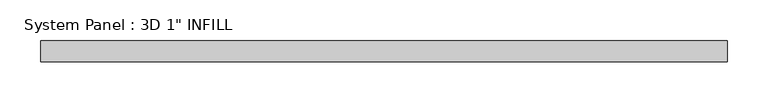
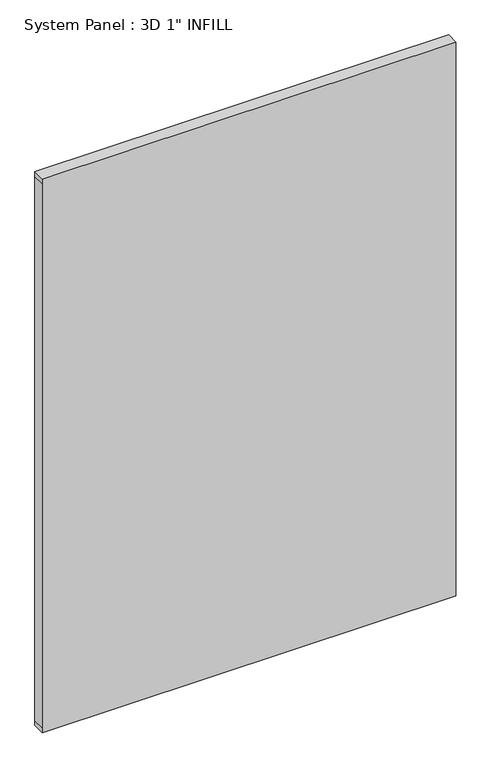
"""IFC4 building model written with IfcOpenShell, lengths in millimetres: plate geometry."""

from ifc_helpers import new_model, si_unit, frame, origin, place, context, project, spatial, polyline, outline, extrude, source, transform, mapped, element, save


def plate_2bb98b47(model_context):
    return source(origin(), model_context, "Body", "SweptSolid", [
        extrude(outline(polyline([(0.0, -420.2009712), (0.0, 420.2009712), (10.4595854, 420.2009712), (1178.8595854, 420.2009712), (1189.2656556, 420.2009712), (1189.2656556, -420.2009712), (1178.8595854, -420.2009712), (10.4595854, -420.2009712), (0.0, -420.2009712)])), frame((0.0, -12.7, 0.0), z_axis=(0.0, 1.0, 0.0), x_axis=(0.0, 0.0, 1.0)), (0.0, 0.0, 1.0), 25.4),
    ])


if __name__ == "__main__":
    model = new_model("IFC4")
    model_context = context("Model", 3, world=origin())
    ifc_project = project(units=[si_unit("LENGTHUNIT", "METRE", prefix="MILLI")], contexts=[model_context])
    site = spatial("IfcSite", under=ifc_project)
    building = spatial("IfcBuilding", under=site)
    placement = place(None, origin())
    plate_shape = plate_2bb98b47(model_context)
    element("IfcPlate", 1, ObjectType="System Panel : 3D 1\" INFILL", at=placement, inside=building, context=model_context, shape_type="MappedRepresentation", body=[
        mapped(plate_shape, transform((0.0, 0.0, 0.0), x_axis=(1.0, 0.0, 0.0), y_axis=(0.0, 1.0, 0.0), z_axis=(0.0, 0.0, 1.0))),
    ])
    save(model, "model.ifc")
